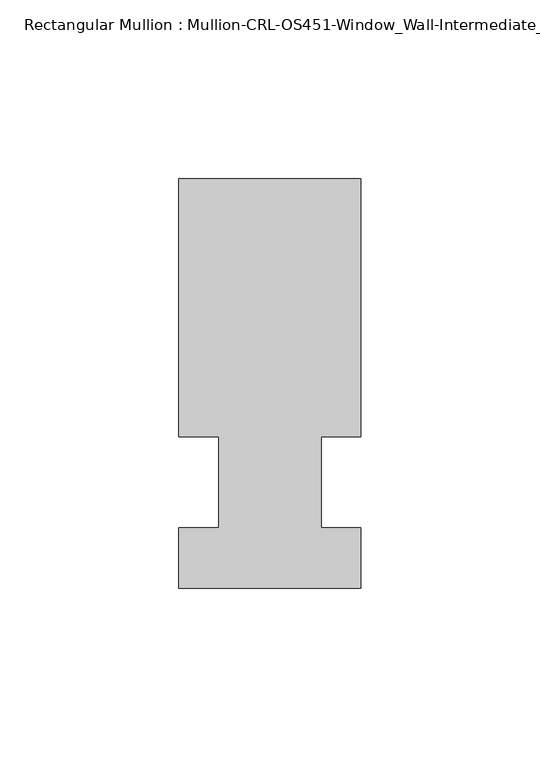
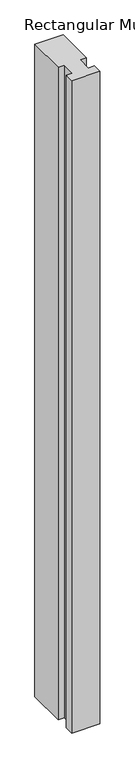
"""IFC4 building model written with IfcOpenShell, lengths in millimetres: member geometry, Rectangular Mullion : Mullion-CRL-OS451-Window_Wall-Intermediate_Horizontal-ext."""

from ifc_helpers import new_model, si_unit, frame, origin, place, context, project, spatial, polyline, outline, extrude, source, transform, mapped, element, save


def rectangular_mullion_mullion_crl_os451_window_wall_76bdc63b(model_context):
    return source(origin(), model_context, "Body", "SweptSolid", [
        extrude(outline(polyline([(-25.4, 12.7), (-25.4, 84.6587463), (25.4, 84.6587463), (25.4, 12.7), (14.3002899, 12.7), (14.3002899, -12.7), (25.4, -12.7), (25.4, -29.6531114), (-25.4, -29.6531114), (-25.4, -12.7), (-14.2786274, -12.7), (-14.2786274, 12.7), (-25.4, 12.7)])), frame((0.0, 0.0, -1239.3083332), z_axis=(0.0, 0.0, 1.0), x_axis=(1.0, 0.0, 0.0)), (0.0, 0.0, 1.0), 1239.3083332),
    ])


if __name__ == "__main__":
    model = new_model("IFC4")
    model_context = context("Model", 3, world=origin())
    ifc_project = project(units=[si_unit("LENGTHUNIT", "METRE", prefix="MILLI")], contexts=[model_context])
    site = spatial("IfcSite", under=ifc_project)
    building = spatial("IfcBuilding", under=site)
    placement = place(None, origin())
    rectangular_mullion_mullion_crl_os451_window_wall_shape = rectangular_mullion_mullion_crl_os451_window_wall_76bdc63b(model_context)
    element("IfcMember", 1, ObjectType="Rectangular Mullion : Mullion-CRL-OS451-Window_Wall-Intermediate_Horizontal-ext", at=placement, inside=building, context=model_context, shape_type="MappedRepresentation", body=[
        mapped(rectangular_mullion_mullion_crl_os451_window_wall_shape, transform((0.0, 0.0, 0.0), x_axis=(1.0, 0.0, 0.0), y_axis=(0.0, 1.0, 0.0), z_axis=(0.0, 0.0, 1.0))),
    ])
    save(model, "model.ifc")
